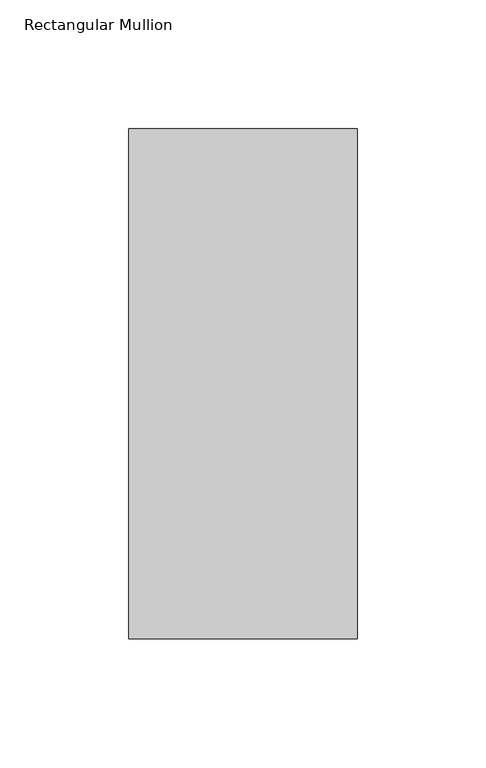
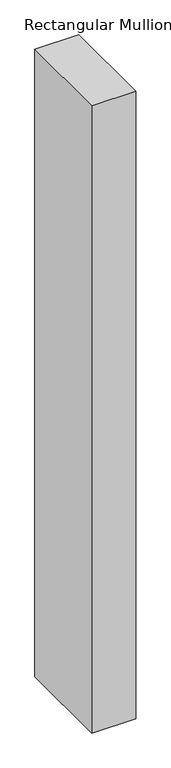
"""IFC4 building model written with IfcOpenShell, lengths in millimetres: member geometry, Rectangular Mullion."""

import ifcopenshell
import ifcopenshell.guid

model = None  # the IFC model being written
_history = None  # IfcOwnerHistory: only IFC2X3 demands one
_inside = {}  # id of a spatial element -> (the spatial element, [elements in it])
_under = {}  # id of a project, library or spatial element -> (it, [spatial elements below it])
_declared = {}  # id of a project -> (the project, [libraries it declares])
_typed = {}  # id of a type object -> (the type object, [elements of that type])
_made_of = {}  # id of a material, layer set ... -> (it, [elements and type objects made of it])


def new_model(schema):
    """Start an empty IFC model of exactly this schema.

    Asked for "IFC4X3", IfcOpenShell would pick the latest addendum, in which some entities
    have other attributes; the version numbers below select the first issue.
    IFC2X3 requires an IfcOwnerHistory on every rooted entity: one is made here for all.
    """
    global model, _history
    if schema == "IFC4X3":
        model = ifcopenshell.file(schema_version=(4, 3, 0, 0))
    else:
        model = ifcopenshell.file(schema=schema)
    _inside.clear()
    _under.clear()
    _declared.clear()
    _typed.clear()
    _made_of.clear()
    _history = None
    if model.schema == "IFC2X3":
        org = make("IfcOrganization", Name="unknown")
        user = make(
            "IfcPersonAndOrganization",
            ThePerson=make("IfcPerson", FamilyName="unknown"),
            TheOrganization=org,
        )
        app = make(
            "IfcApplication",
            ApplicationDeveloper=org,
            Version="unknown",
            ApplicationFullName="unknown",
            ApplicationIdentifier="unknown",
        )
        _history = make(
            "IfcOwnerHistory",
            OwningUser=user,
            OwningApplication=app,
            ChangeAction="ADDED",
            CreationDate=0,
        )
    return model


def make(cls, **values):
    """One entity of the class cls with the attributes given. An attribute that is None is left unset."""
    return model.create_entity(
        cls, **{name: value for name, value in values.items() if value is not None}
    )


def rooted(cls, **values):
    """An entity with a GlobalId (a new one), such as an element, a storey or a relation."""
    return make(cls, GlobalId=ifcopenshell.guid.new(), OwnerHistory=_history, **values)


def si_unit(unit_type, name, prefix=None):
    """IfcSIUnit, for example si_unit("LENGTHUNIT", "METRE", prefix="MILLI")."""
    return make("IfcSIUnit", UnitType=unit_type, Prefix=prefix, Name=name)


def assignment(units):
    """IfcUnitAssignment: the units of a project."""
    return None if units is None else make("IfcUnitAssignment", Units=units)


def point(xyz):
    """IfcCartesianPoint."""
    return None if xyz is None else make("IfcCartesianPoint", Coordinates=xyz)


def direction(xyz):
    """IfcDirection."""
    return None if xyz is None else make("IfcDirection", DirectionRatios=xyz)


def frame(location, z_axis=None, x_axis=None):
    """IfcAxis2Placement3D, a coordinate frame: its origin and axes. An axis left out is left unset."""
    return make(
        "IfcAxis2Placement3D",
        Location=point(location),
        Axis=direction(z_axis),
        RefDirection=direction(x_axis),
    )


def origin():
    """The frame at (0, 0, 0) with its axes left unset."""
    return frame((0.0, 0.0, 0.0))


def place(relative_to, where):
    """IfcLocalPlacement: puts the frame where relative to a parent placement (None: the world)."""
    return make(
        "IfcLocalPlacement", PlacementRelTo=relative_to, RelativePlacement=where
    )


def context(
    kind, dimensions, precision=None, world=None, true_north=None, identifier=None
):
    """IfcGeometricRepresentationContext, for example the 3D "Model" context."""
    return make(
        "IfcGeometricRepresentationContext",
        ContextIdentifier=identifier,
        ContextType=kind,
        CoordinateSpaceDimension=dimensions,
        Precision=precision,
        WorldCoordinateSystem=world,
        TrueNorth=true_north,
    )


def project(units=None, contexts=None):
    """IfcProject with its units and contexts."""
    return rooted(
        "IfcProject",
        Name="project",
        RepresentationContexts=contexts,
        UnitsInContext=assignment(units),
    )


def spatial(cls, under=None, at=None, **own):
    """A site, building, storey or space (cls), placed at a placement, below another one or the project."""
    s = rooted(cls, ObjectPlacement=at, **own)
    if under is not None:
        _under.setdefault(under.id(), (under, []))[1].append(s)
    return s


def polyline(points):
    """IfcPolyline through the points."""
    return make("IfcPolyline", Points=[point(p) for p in points])


def outline(outer, holes=None, kind="AREA"):
    """IfcArbitraryClosedProfileDef: a profile drawn as a closed curve; with holes, ...WithVoids."""
    if holes is None:
        return make("IfcArbitraryClosedProfileDef", ProfileType=kind, OuterCurve=outer)
    return make(
        "IfcArbitraryProfileDefWithVoids",
        ProfileType=kind,
        OuterCurve=outer,
        InnerCurves=holes,
    )


def extrude(swept, where, along, depth):
    """IfcExtrudedAreaSolid: the profile swept, set in the frame where, extruded along a direction by depth."""
    return make(
        "IfcExtrudedAreaSolid",
        SweptArea=swept,
        Position=where,
        ExtrudedDirection=direction(along),
        Depth=depth,
    )


def shape(context_of_items, identifier, shape_type, items):
    """IfcShapeRepresentation: the items that make up one representation, for example the "Body"."""
    return make(
        "IfcShapeRepresentation",
        ContextOfItems=context_of_items,
        RepresentationIdentifier=identifier,
        RepresentationType=shape_type,
        Items=items,
    )


def source(mapping_origin, context_of_items, identifier, shape_type, items):
    """IfcRepresentationMap: a shape defined once, which mapped items show again and again."""
    return make(
        "IfcRepresentationMap",
        MappingOrigin=mapping_origin,
        MappedRepresentation=shape(context_of_items, identifier, shape_type, items),
    )


def transform(
    local_origin,
    x_axis=None,
    y_axis=None,
    z_axis=None,
    scale=None,
    scale2=None,
    scale3=None,
    uniform=True,
):
    """IfcCartesianTransformationOperator3D, or its non-uniform kind. x_axis, y_axis, z_axis: its Axis1, 2, 3."""
    if uniform:
        return make(
            "IfcCartesianTransformationOperator3D",
            Axis1=direction(x_axis),
            Axis2=direction(y_axis),
            LocalOrigin=point(local_origin),
            Scale=scale,
            Axis3=direction(z_axis),
        )
    return make(
        "IfcCartesianTransformationOperator3DnonUniform",
        Axis1=direction(x_axis),
        Axis2=direction(y_axis),
        LocalOrigin=point(local_origin),
        Scale=scale,
        Axis3=direction(z_axis),
        Scale2=scale2,
        Scale3=scale3,
    )


def mapped(mapping_source, mapping_target):
    """IfcMappedItem: shows the shape of a source again, moved by a transform."""
    return make(
        "IfcMappedItem", MappingSource=mapping_source, MappingTarget=mapping_target
    )


def made_of(thing, what):
    """Note that an element or type object is made of a material, layer set ...; save() writes the relation."""
    if what is not None:
        _made_of.setdefault(what.id(), (what, []))[1].append(thing)
    return thing


def element(
    cls,
    number,
    at=None,
    inside=None,
    cuts=None,
    type_object=None,
    material=None,
    context=None,
    identifier="Body",
    shape_type=None,
    held_by="IfcProductDefinitionShape",
    body=None,
    shapes=None,
    **own,
):
    """One element of the class cls, such as IfcWall. Its Tag is "e" and its number.

    at: its placement. inside: the storey or other place that contains it. cuts: it is an
    opening in that element (IfcRelVoidsElement). A single representation is given by context,
    identifier, shape_type and body (its items); several are given by shapes. held_by: the class
    of the entity that holds the representations. save() writes the other relations.
    """
    e = rooted(cls, Tag="e%d" % number, ObjectPlacement=at, **own)
    if body is not None:
        shapes = [shape(context, identifier, shape_type, body)]
    if shapes is not None:
        e.Representation = make(held_by, Representations=shapes)
    if inside is not None:
        _inside.setdefault(inside.id(), (inside, []))[1].append(e)
    if cuts is not None:
        rooted(
            "IfcRelVoidsElement", RelatingBuildingElement=cuts, RelatedOpeningElement=e
        )
    if type_object is not None:
        _typed.setdefault(type_object.id(), (type_object, []))[1].append(e)
    return made_of(e, material)


def aggregate(whole, parts):
    """IfcRelAggregates: a whole, such as a stair, and the parts it consists of."""
    return rooted("IfcRelAggregates", RelatingObject=whole, RelatedObjects=parts)


def save(model, path):
    """Write the relations noted so far, then the file.

    IfcRelAggregates (storeys below a building ...), IfcRelContainedInSpatialStructure (elements
    in a storey), IfcRelDefinesByType, IfcRelAssociatesMaterial and IfcRelDeclares: one each for
    every whole, place, type object, material and project.
    """
    for whole, parts in _under.values():
        aggregate(whole, parts)
    for where, things in _inside.values():
        rooted(
            "IfcRelContainedInSpatialStructure",
            RelatedElements=things,
            RelatingStructure=where,
        )
    for kind, things in _typed.values():
        rooted("IfcRelDefinesByType", RelatedObjects=things, RelatingType=kind)
    for what, things in _made_of.values():
        rooted("IfcRelAssociatesMaterial", RelatedObjects=things, RelatingMaterial=what)
    for by, libraries in _declared.values():
        rooted("IfcRelDeclares", RelatingContext=by, RelatedDefinitions=libraries)
    model.write(path)


def rectangular_mullion_a96fee14(model_context):
    return source(origin(), model_context, "Body", "SweptSolid", [
        extrude(outline(polyline([(-88.9, 42.06875), (0.0, 42.06875), (0.0, -156.36875), (-88.9, -156.36875), (-88.9, 42.06875)])), frame((0.0, 0.0, -1338.4026949), z_axis=(0.0, 0.0, 1.0), x_axis=(1.0, 0.0, 0.0)), (0.0, 0.0, 1.0), 1338.4026949),
    ])


if __name__ == "__main__":
    model = new_model("IFC4")
    model_context = context("Model", 3, world=origin())
    ifc_project = project(units=[si_unit("LENGTHUNIT", "METRE", prefix="MILLI")], contexts=[model_context])
    site = spatial("IfcSite", under=ifc_project)
    building = spatial("IfcBuilding", under=site)
    placement = place(None, origin())
    rectangular_mullion_shape = rectangular_mullion_a96fee14(model_context)
    element("IfcMember", 1, ObjectType="Rectangular Mullion", at=placement, inside=building, context=model_context, shape_type="MappedRepresentation", body=[
        mapped(rectangular_mullion_shape, transform((0.0, 0.0, 0.0), x_axis=(1.0, 0.0, 0.0), y_axis=(0.0, 1.0, 0.0), z_axis=(0.0, 0.0, 1.0))),
    ])
    save(model, "model.ifc")
